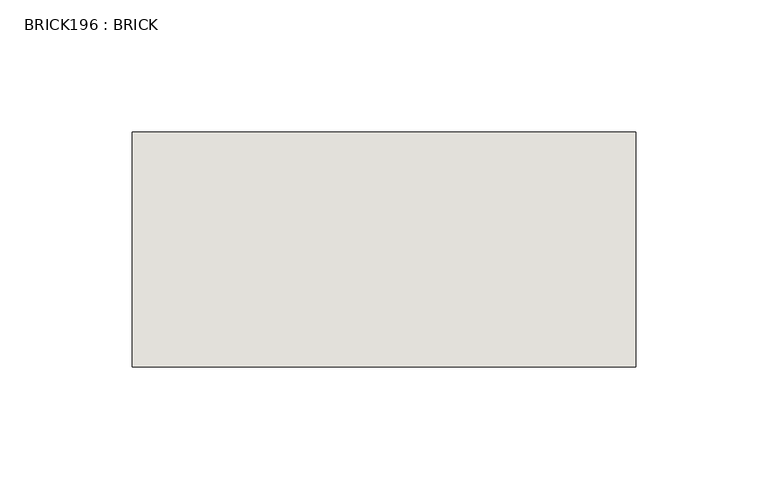
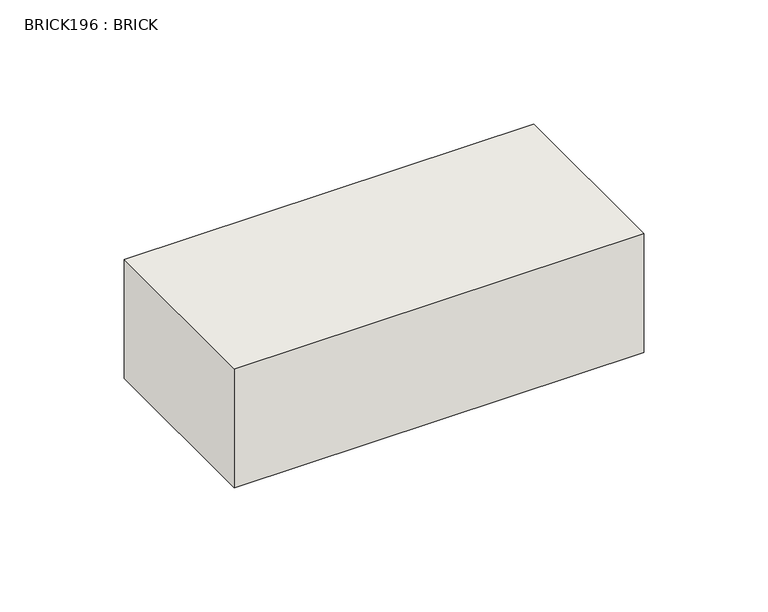
"""IFC4 building model written with IfcOpenShell, lengths in millimetres: wall geometry, BRICK196 : BRICK."""

from ifc_helpers import new_model, si_unit, frame, origin, place, context, project, spatial, polyline, outline, extrude, source, transform, mapped, element, save


def brick196_brick_c2818a22(model_context):
    return source(origin(), model_context, "Body", "SweptSolid", [
        extrude(outline(polyline([(-668.2574357, 3062.3923312), (-477.7574357, 3062.3923312), (-477.7574357, 2973.4923312), (-668.2574357, 2973.4923312), (-668.2574357, 3062.3923312)])), frame((0.0, 0.0, 4.1671875), z_axis=(0.0, 0.0, 1.0), x_axis=(1.0, 0.0, 0.0)), (0.0, 0.0, 1.0), 58.4398437),
    ])


if __name__ == "__main__":
    model = new_model("IFC4")
    model_context = context("Model", 3, world=origin())
    ifc_project = project(units=[si_unit("LENGTHUNIT", "METRE", prefix="MILLI")], contexts=[model_context])
    site = spatial("IfcSite", under=ifc_project)
    building = spatial("IfcBuilding", under=site)
    placement = place(None, origin())
    brick196_brick_shape = brick196_brick_c2818a22(model_context)
    element("IfcWall", 1, ObjectType="BRICK196 : BRICK", at=placement, inside=building, context=model_context, shape_type="MappedRepresentation", body=[
        mapped(brick196_brick_shape, transform((0.0, 0.0, 0.0), x_axis=(1.0, 0.0, 0.0), y_axis=(0.0, 1.0, 0.0), z_axis=(0.0, 0.0, 1.0))),
    ])
    save(model, "model.ifc")
